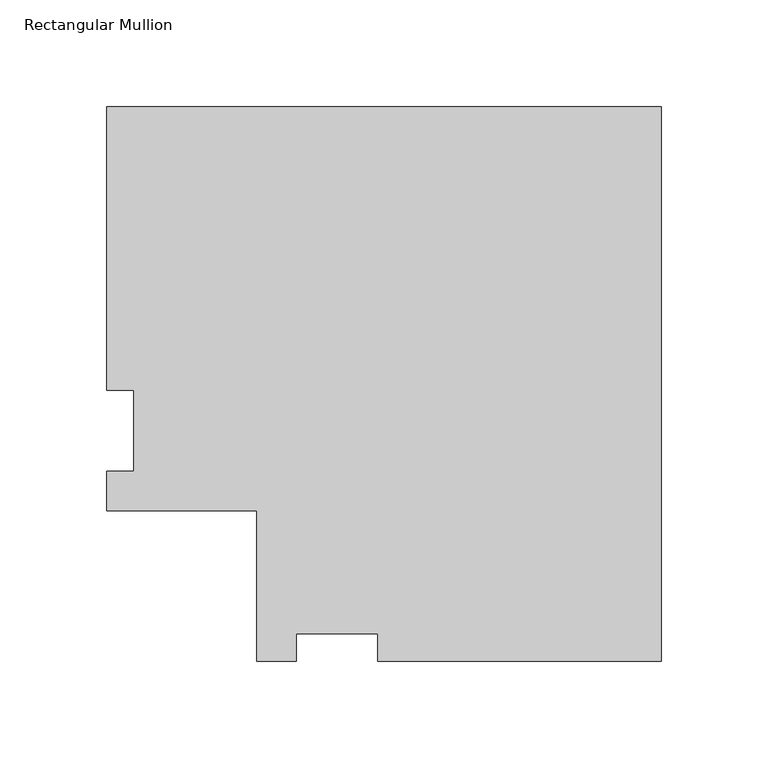
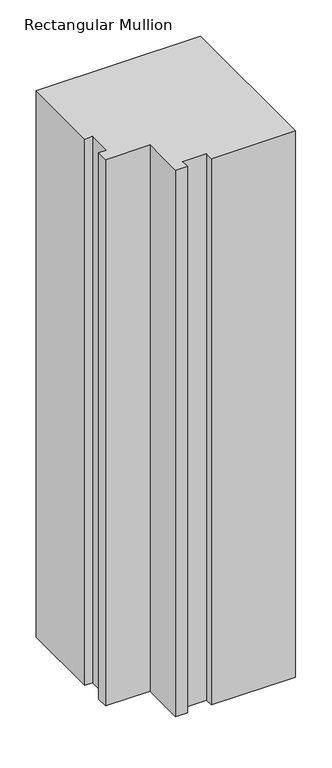
"""IFC4 building model written with IfcOpenShell, lengths in millimetres: member geometry, Rectangular Mullion."""

from ifc_helpers import new_model, si_unit, frame, origin, place, context, project, spatial, polyline, outline, extrude, source, transform, mapped, element, save


def rectangular_mullion_7827e88c(model_context):
    return source(origin(), model_context, "Body", "SweptSolid", [
        extrude(outline(polyline([(0.0, 189.5975062), (0.0, -70.434883), (-132.9436, -70.434883), (-132.9436, -57.734883), (-171.0436, -57.734883), (-171.0436, -70.434883), (-189.5856, -70.434883), (-189.5856, 0.0119062), (-260.0323893, 0.0119062), (-260.0323893, 18.5539062), (-247.3323893, 18.5539062), (-247.3323893, 56.6539062), (-260.0323893, 56.6539062), (-260.0323893, 189.5975062), (0.0, 189.5975062)])), frame((0.0, 0.0, -914.4), z_axis=(0.0, 0.0, 1.0), x_axis=(1.0, 0.0, 0.0)), (0.0, 0.0, 1.0), 914.4),
    ])


if __name__ == "__main__":
    model = new_model("IFC4")
    model_context = context("Model", 3, world=origin())
    ifc_project = project(units=[si_unit("LENGTHUNIT", "METRE", prefix="MILLI")], contexts=[model_context])
    site = spatial("IfcSite", under=ifc_project)
    building = spatial("IfcBuilding", under=site)
    placement = place(None, origin())
    rectangular_mullion_shape = rectangular_mullion_7827e88c(model_context)
    element("IfcMember", 1, ObjectType="Rectangular Mullion", at=placement, inside=building, context=model_context, shape_type="MappedRepresentation", body=[
        mapped(rectangular_mullion_shape, transform((0.0, 0.0, 0.0), x_axis=(1.0, 0.0, 0.0), y_axis=(0.0, 1.0, 0.0), z_axis=(0.0, 0.0, 1.0))),
    ])
    save(model, "model.ifc")
